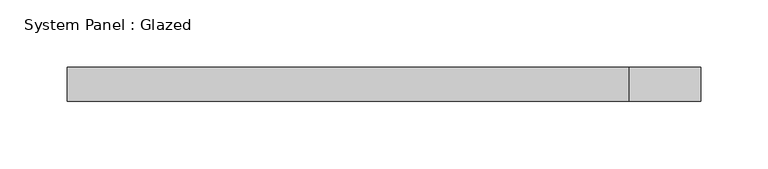
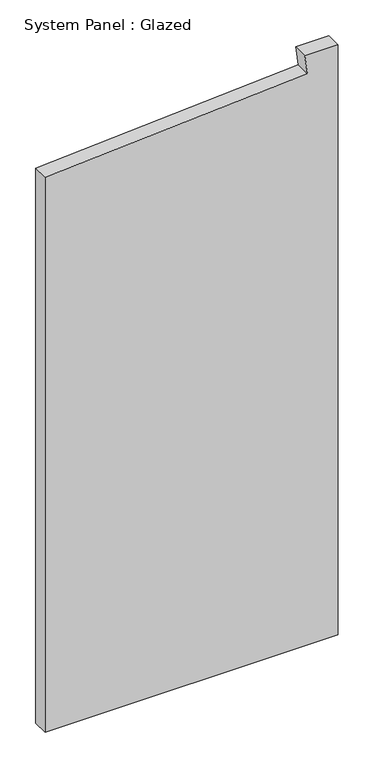
"""IFC4 building model written with IfcOpenShell, lengths in millimetres: plate geometry, System Panel : Glazed."""

import ifcopenshell
import ifcopenshell.guid

model = None  # the IFC model being written
_history = None  # IfcOwnerHistory: only IFC2X3 demands one
_inside = {}  # id of a spatial element -> (the spatial element, [elements in it])
_under = {}  # id of a project, library or spatial element -> (it, [spatial elements below it])
_declared = {}  # id of a project -> (the project, [libraries it declares])
_typed = {}  # id of a type object -> (the type object, [elements of that type])
_made_of = {}  # id of a material, layer set ... -> (it, [elements and type objects made of it])


def new_model(schema):
    """Start an empty IFC model of exactly this schema.

    Asked for "IFC4X3", IfcOpenShell would pick the latest addendum, in which some entities
    have other attributes; the version numbers below select the first issue.
    IFC2X3 requires an IfcOwnerHistory on every rooted entity: one is made here for all.
    """
    global model, _history
    if schema == "IFC4X3":
        model = ifcopenshell.file(schema_version=(4, 3, 0, 0))
    else:
        model = ifcopenshell.file(schema=schema)
    _inside.clear()
    _under.clear()
    _declared.clear()
    _typed.clear()
    _made_of.clear()
    _history = None
    if model.schema == "IFC2X3":
        org = make("IfcOrganization", Name="unknown")
        user = make(
            "IfcPersonAndOrganization",
            ThePerson=make("IfcPerson", FamilyName="unknown"),
            TheOrganization=org,
        )
        app = make(
            "IfcApplication",
            ApplicationDeveloper=org,
            Version="unknown",
            ApplicationFullName="unknown",
            ApplicationIdentifier="unknown",
        )
        _history = make(
            "IfcOwnerHistory",
            OwningUser=user,
            OwningApplication=app,
            ChangeAction="ADDED",
            CreationDate=0,
        )
    return model


def make(cls, **values):
    """One entity of the class cls with the attributes given. An attribute that is None is left unset."""
    return model.create_entity(
        cls, **{name: value for name, value in values.items() if value is not None}
    )


def rooted(cls, **values):
    """An entity with a GlobalId (a new one), such as an element, a storey or a relation."""
    return make(cls, GlobalId=ifcopenshell.guid.new(), OwnerHistory=_history, **values)


def si_unit(unit_type, name, prefix=None):
    """IfcSIUnit, for example si_unit("LENGTHUNIT", "METRE", prefix="MILLI")."""
    return make("IfcSIUnit", UnitType=unit_type, Prefix=prefix, Name=name)


def assignment(units):
    """IfcUnitAssignment: the units of a project."""
    return None if units is None else make("IfcUnitAssignment", Units=units)


def point(xyz):
    """IfcCartesianPoint."""
    return None if xyz is None else make("IfcCartesianPoint", Coordinates=xyz)


def direction(xyz):
    """IfcDirection."""
    return None if xyz is None else make("IfcDirection", DirectionRatios=xyz)


def frame(location, z_axis=None, x_axis=None):
    """IfcAxis2Placement3D, a coordinate frame: its origin and axes. An axis left out is left unset."""
    return make(
        "IfcAxis2Placement3D",
        Location=point(location),
        Axis=direction(z_axis),
        RefDirection=direction(x_axis),
    )


def origin():
    """The frame at (0, 0, 0) with its axes left unset."""
    return frame((0.0, 0.0, 0.0))


def place(relative_to, where):
    """IfcLocalPlacement: puts the frame where relative to a parent placement (None: the world)."""
    return make(
        "IfcLocalPlacement", PlacementRelTo=relative_to, RelativePlacement=where
    )


def context(
    kind, dimensions, precision=None, world=None, true_north=None, identifier=None
):
    """IfcGeometricRepresentationContext, for example the 3D "Model" context."""
    return make(
        "IfcGeometricRepresentationContext",
        ContextIdentifier=identifier,
        ContextType=kind,
        CoordinateSpaceDimension=dimensions,
        Precision=precision,
        WorldCoordinateSystem=world,
        TrueNorth=true_north,
    )


def project(units=None, contexts=None):
    """IfcProject with its units and contexts."""
    return rooted(
        "IfcProject",
        Name="project",
        RepresentationContexts=contexts,
        UnitsInContext=assignment(units),
    )


def spatial(cls, under=None, at=None, **own):
    """A site, building, storey or space (cls), placed at a placement, below another one or the project."""
    s = rooted(cls, ObjectPlacement=at, **own)
    if under is not None:
        _under.setdefault(under.id(), (under, []))[1].append(s)
    return s


def polyline(points):
    """IfcPolyline through the points."""
    return make("IfcPolyline", Points=[point(p) for p in points])


def outline(outer, holes=None, kind="AREA"):
    """IfcArbitraryClosedProfileDef: a profile drawn as a closed curve; with holes, ...WithVoids."""
    if holes is None:
        return make("IfcArbitraryClosedProfileDef", ProfileType=kind, OuterCurve=outer)
    return make(
        "IfcArbitraryProfileDefWithVoids",
        ProfileType=kind,
        OuterCurve=outer,
        InnerCurves=holes,
    )


def extrude(swept, where, along, depth):
    """IfcExtrudedAreaSolid: the profile swept, set in the frame where, extruded along a direction by depth."""
    return make(
        "IfcExtrudedAreaSolid",
        SweptArea=swept,
        Position=where,
        ExtrudedDirection=direction(along),
        Depth=depth,
    )


def shape(context_of_items, identifier, shape_type, items):
    """IfcShapeRepresentation: the items that make up one representation, for example the "Body"."""
    return make(
        "IfcShapeRepresentation",
        ContextOfItems=context_of_items,
        RepresentationIdentifier=identifier,
        RepresentationType=shape_type,
        Items=items,
    )


def source(mapping_origin, context_of_items, identifier, shape_type, items):
    """IfcRepresentationMap: a shape defined once, which mapped items show again and again."""
    return make(
        "IfcRepresentationMap",
        MappingOrigin=mapping_origin,
        MappedRepresentation=shape(context_of_items, identifier, shape_type, items),
    )


def transform(
    local_origin,
    x_axis=None,
    y_axis=None,
    z_axis=None,
    scale=None,
    scale2=None,
    scale3=None,
    uniform=True,
):
    """IfcCartesianTransformationOperator3D, or its non-uniform kind. x_axis, y_axis, z_axis: its Axis1, 2, 3."""
    if uniform:
        return make(
            "IfcCartesianTransformationOperator3D",
            Axis1=direction(x_axis),
            Axis2=direction(y_axis),
            LocalOrigin=point(local_origin),
            Scale=scale,
            Axis3=direction(z_axis),
        )
    return make(
        "IfcCartesianTransformationOperator3DnonUniform",
        Axis1=direction(x_axis),
        Axis2=direction(y_axis),
        LocalOrigin=point(local_origin),
        Scale=scale,
        Axis3=direction(z_axis),
        Scale2=scale2,
        Scale3=scale3,
    )


def mapped(mapping_source, mapping_target):
    """IfcMappedItem: shows the shape of a source again, moved by a transform."""
    return make(
        "IfcMappedItem", MappingSource=mapping_source, MappingTarget=mapping_target
    )


def made_of(thing, what):
    """Note that an element or type object is made of a material, layer set ...; save() writes the relation."""
    if what is not None:
        _made_of.setdefault(what.id(), (what, []))[1].append(thing)
    return thing


def element(
    cls,
    number,
    at=None,
    inside=None,
    cuts=None,
    type_object=None,
    material=None,
    context=None,
    identifier="Body",
    shape_type=None,
    held_by="IfcProductDefinitionShape",
    body=None,
    shapes=None,
    **own,
):
    """One element of the class cls, such as IfcWall. Its Tag is "e" and its number.

    at: its placement. inside: the storey or other place that contains it. cuts: it is an
    opening in that element (IfcRelVoidsElement). A single representation is given by context,
    identifier, shape_type and body (its items); several are given by shapes. held_by: the class
    of the entity that holds the representations. save() writes the other relations.
    """
    e = rooted(cls, Tag="e%d" % number, ObjectPlacement=at, **own)
    if body is not None:
        shapes = [shape(context, identifier, shape_type, body)]
    if shapes is not None:
        e.Representation = make(held_by, Representations=shapes)
    if inside is not None:
        _inside.setdefault(inside.id(), (inside, []))[1].append(e)
    if cuts is not None:
        rooted(
            "IfcRelVoidsElement", RelatingBuildingElement=cuts, RelatedOpeningElement=e
        )
    if type_object is not None:
        _typed.setdefault(type_object.id(), (type_object, []))[1].append(e)
    return made_of(e, material)


def aggregate(whole, parts):
    """IfcRelAggregates: a whole, such as a stair, and the parts it consists of."""
    return rooted("IfcRelAggregates", RelatingObject=whole, RelatedObjects=parts)


def save(model, path):
    """Write the relations noted so far, then the file.

    IfcRelAggregates (storeys below a building ...), IfcRelContainedInSpatialStructure (elements
    in a storey), IfcRelDefinesByType, IfcRelAssociatesMaterial and IfcRelDeclares: one each for
    every whole, place, type object, material and project.
    """
    for whole, parts in _under.values():
        aggregate(whole, parts)
    for where, things in _inside.values():
        rooted(
            "IfcRelContainedInSpatialStructure",
            RelatedElements=things,
            RelatingStructure=where,
        )
    for kind, things in _typed.values():
        rooted("IfcRelDefinesByType", RelatedObjects=things, RelatingType=kind)
    for what, things in _made_of.values():
        rooted("IfcRelAssociatesMaterial", RelatedObjects=things, RelatingMaterial=what)
    for by, libraries in _declared.values():
        rooted("IfcRelDeclares", RelatingContext=by, RelatedDefinitions=libraries)
    model.write(path)


def system_panel_glazed_a2905f14(model_context):
    return source(origin(), model_context, "Body", "SweptSolid", [
        extrude(outline(polyline([(0.0, -235.8353234), (0.0, 235.8353234), (1003.3, 235.8353234), (1003.3, 182.5670883), (971.6887631, 186.7627593), (943.7050519, -235.8353234), (0.0, -235.8353234)])), frame((0.0, 19.05, 0.0), z_axis=(0.0, 1.0, 0.0), x_axis=(0.0, 0.0, 1.0)), (0.0, 0.0, 1.0), 25.4),
    ])


if __name__ == "__main__":
    model = new_model("IFC4")
    model_context = context("Model", 3, world=origin())
    ifc_project = project(units=[si_unit("LENGTHUNIT", "METRE", prefix="MILLI")], contexts=[model_context])
    site = spatial("IfcSite", under=ifc_project)
    building = spatial("IfcBuilding", under=site)
    placement = place(None, origin())
    system_panel_glazed_shape = system_panel_glazed_a2905f14(model_context)
    element("IfcPlate", 1, ObjectType="System Panel : Glazed", at=placement, inside=building, context=model_context, shape_type="MappedRepresentation", body=[
        mapped(system_panel_glazed_shape, transform((0.0, 0.0, 0.0), x_axis=(1.0, 0.0, 0.0), y_axis=(0.0, 1.0, 0.0), z_axis=(0.0, 0.0, 1.0))),
    ])
    save(model, "model.ifc")
